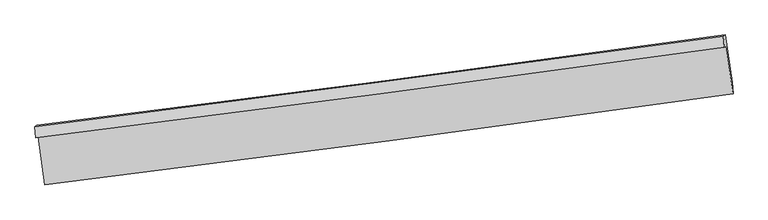
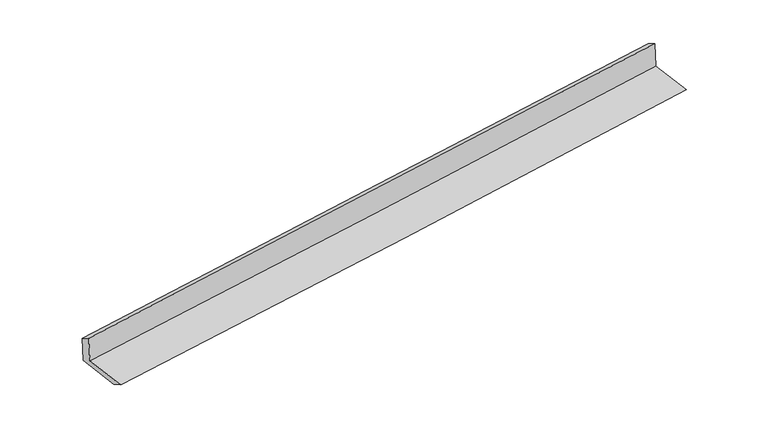
"""IFC4 building model written with IfcOpenShell, lengths in millimetres: proxy geometry."""

from ifc_helpers import new_model, si_unit, frame, origin, place, context, project, spatial, source, transform, mapped, element, save
from ifc_brep_helpers import plane_surface, spline_curve, spline_surface, advanced_brep


def generic_models_6fa985da(model_context):
    return source(origin(), model_context, "Body", "AdvancedBrep", [
        advanced_brep(
        [(-4774.402629, -2136.3092523, 1895.4018676), (-4745.9630403, -2119.7390465, 1506.7922648), (4700.3335163, -877.7350766, 2261.09442), (4672.2585367, -894.0928444, 2644.7218616), (-4788.700399, -1982.437598, 1810.250937), (4657.9607667, -740.2211901, 2559.570931), (-4760.640904, -1966.0888522, 1426.8350832), (4685.6556525, -724.0848823, 2181.1372384), (-4668.6809497, -2626.6872216, 1405.3972506), (4776.2375432, -1374.7838711, 2160.0206619), (-4653.7502572, -2782.1536222, 1485.2954924), (4791.1682357, -1530.2502717, 2239.9189037)],
        [
            (0, 1),
            (1, 2, spline_curve(3, [(-4745.9630403, -2119.7390465, 1506.7922648), (-3169.075419932, -1921.710483862, 1628.961508532), (-1592.929942359, -1719.125761612, 1752.946606569), (1555.833653017, -1305.112628446, 2004.38536557), (3128.453693912, -1093.696028022, 2131.834319144), (4700.3335163, -877.7350766, 2261.09442)], [4, 2, 4], [0.0, 15.688418234439224, 31.356490807005244])),
            (2, 3),
            (3, 0, spline_curve(3, [(4672.2585367, -894.0928444, 2644.7218616), (3099.467703633, -1110.584591995, 2527.91016348), (1526.36151726, -1322.28444322, 2407.104091777), (-1622.524718577, -1736.369032603, 2157.34114071), (-3198.305587248, -1938.741316787, 2028.37388158), (-4774.402629, -2136.3092523, 1895.4018676)], [4, 2, 4], [0.0, 15.66807257256602, 31.356490807005244])),
            (4, 0),
            (3, 5),
            (5, 4, spline_curve(3, [(4657.9607667, -740.2211901, 2559.570931), (3085.169933688, -956.712937876, 2442.759232829), (1512.063747325, -1168.412788869, 2321.953160997), (-1636.822488642, -1582.497378354, 2072.19021029), (-3212.603357061, -1784.86966261, 1943.222950604), (-4788.700399, -1982.437598, 1810.250937)], [4, 2, 4], [0.0, 15.668127430764462, 31.356600594637843])),
            (6, 4),
            (5, 7),
            (7, 6, spline_curve(3, [(4685.6556525, -724.0848823, 2181.1372384), (3113.775830112, -940.045833722, 2051.877137544), (1541.155789217, -1151.462434146, 1924.42818407), (-1607.607806159, -1565.475567312, 1672.989425069), (-3183.753283632, -1768.060289562, 1549.004326932), (-4760.640904, -1966.0888522, 1426.8350832)], [4, 2, 4], [0.0, 15.668072572566027, 31.356490807005258])),
            (8, 6),
            (7, 9),
            (9, 8, spline_curve(3, [(4776.2375432, -1374.7838711, 2160.0206619), (3205.046603755, -1595.693442134, 2030.599967766), (1632.885917211, -1810.40983608, 1903.043928441), (-1515.417726913, -2227.727047831, 1651.497945926), (-3091.563204855, -2430.31177028, 1527.51284755), (-4668.6809497, -2626.6872216, 1405.3972506)], [4, 2, 4], [0.0, 15.668053822402573, 31.356453282330463])),
            (10, 8),
            (9, 11),
            (11, 10, spline_curve(3, [(4791.1682357, -1530.2502717, 2239.9189037), (3219.977296198, -1751.159842476, 2110.498209569), (1647.816609643, -1965.876236572, 1982.942170247), (-1500.487034545, -2383.193448538, 1731.39618772), (-3076.63251235, -2585.778170925, 1607.411089367), (-4653.7502572, -2782.1536222, 1485.2954924)], [4, 2, 4], [0.0, 15.668049396087435, 31.356444423952425])),
            (1, 10),
            (11, 2),
        ],
        [
            spline_surface(3, 3, [[(-4774.402629, -2136.3092523, 1895.4018676), (-3198.305587127, -1938.741317006, 2028.373881456), (-1622.524718505, -1736.369032415, 2157.341140813), (1526.361517188, -1322.284443408, 2407.104091673), (3099.467703815, -1110.584592024, 2527.910163663), (4672.2585367, -894.0928444, 2644.7218616)], [(-4764.922766082, -2130.785850387, 1765.865333321), (-3188.562198097, -1933.064372722, 1895.236423877), (-1612.659793092, -1730.621275473, 2022.542962833), (1536.185562431, -1316.560505124, 2272.864516236), (3109.129700548, -1104.955070617, 2395.884882094), (4681.616863236, -888.640255145, 2516.846047723)], [(-4755.442903218, -2125.262448413, 1636.328799079), (-3178.818809121, -1927.387428376, 1762.098966336), (-1602.794867675, -1724.873518488, 1887.744784806), (1546.009607679, -1310.836566796, 2138.624940751), (3118.791697274, -1099.325549175, 2263.859600557), (4690.975189764, -883.187665855, 2388.970233877)], [(-4745.9630403, -2119.7390465, 1506.7922648), (-3169.075420091, -1921.710484092, 1628.961508757), (-1592.929942262, -1719.125761546, 1752.946606826), (1555.833652921, -1305.112628512, 2004.385365313), (3128.453694007, -1093.696027768, 2131.834318988), (4700.3335163, -877.7350766, 2261.09442)]], [4, 4], [4, 2, 4], [0.0, 1.328748891023299], [0.0, 15.688418234439224, 31.356490807005244]),
            spline_surface(3, 3, [[(-4788.700399, -1982.437598, 1810.250937), (-3212.603357127, -1784.869662706, 1943.222950856), (-1636.822488505, -1582.497378115, 2072.190210213), (1512.063747188, -1168.412789108, 2321.953161073), (3085.169933815, -956.712937724, 2442.759233063), (4657.9607667, -740.2211901, 2559.570931)], [(-4783.934475673, -2033.728149439, 1838.634580532), (-3207.837433801, -1836.160214145, 1971.606594388), (-1632.056565178, -1633.787929554, 2100.573853746), (1516.829670515, -1219.703340547, 2350.336804606), (3089.935857142, -1008.003489163, 2471.142876596), (4662.726690027, -791.511741539, 2587.954574532)], [(-4779.168552327, -2085.018700861, 1867.018224068), (-3203.071510454, -1887.450765567, 1999.990237923), (-1627.290641831, -1685.078480976, 2128.957497281), (1521.595593862, -1270.993891969, 2378.720448141), (3094.701780489, -1059.294040585, 2499.526520131), (4667.492613373, -842.802292961, 2616.338218068)], [(-4774.402629, -2136.3092523, 1895.4018676), (-3198.305587127, -1938.741317006, 2028.373881456), (-1622.524718505, -1736.369032415, 2157.341140813), (1526.361517188, -1322.284443408, 2407.104091673), (3099.467703815, -1110.584592024, 2527.910163663), (4672.2585367, -894.0928444, 2644.7218616)]], [4, 4], [4, 2, 4], [0.0, 0.5788762220393724], [0.0, 15.68847316387338, 31.356600594637843]),
            spline_surface(3, 3, [[(-4760.640904, -1966.0888522, 1426.8350832), (-3183.753283791, -1768.060289792, 1549.004327157), (-1607.607806062, -1565.475567246, 1672.989425326), (1541.155789121, -1151.462434212, 1924.428183813), (3113.775830207, -940.045833468, 2051.877137388), (4685.6556525, -724.0848823, 2181.1372384)], [(-4769.994068997, -1971.538434107, 1554.640367807), (-3193.3699749, -1773.66341407, 1680.410535064), (-1617.346033554, -1571.149504182, 1806.056353635), (1531.458441799, -1157.11255249, 2056.936509579), (3104.240531395, -945.601534869, 2182.171169285), (4676.424023885, -729.463651549, 2307.281802606)], [(-4779.347234003, -1976.988016093, 1682.445652393), (-3202.986666018, -1779.266538428, 1811.816742949), (-1627.084261013, -1576.823441179, 1939.123281905), (1521.76109451, -1162.76267083, 2189.444835307), (3094.705232627, -951.157236323, 2312.465201166), (4667.192395315, -734.842420851, 2433.426366794)], [(-4788.700399, -1982.437598, 1810.250937), (-3212.603357127, -1784.869662706, 1943.222950856), (-1636.822488505, -1582.497378115, 2072.190210213), (1512.063747188, -1168.412789108, 2321.953161073), (3085.169933815, -956.712937724, 2442.759233063), (4657.9607667, -740.2211901, 2559.570931)]], [4, 4], [4, 2, 4], [0.0, 1.3116480202674885], [0.0, 15.688418234439231, 31.356490807005258]),
            spline_surface(3, 3, [[(-4668.6809497, -2626.6872216, 1405.3972506), (-3091.563204755, -2430.311770337, 1527.512847559), (-1515.417726926, -2227.727047691, 1651.497945727), (1632.885917224, -1810.409836219, 1903.043928639), (3205.046603692, -1595.693442004, 2030.599967574), (4776.2375432, -1374.7838711, 2160.0206619)], [(-4699.334267806, -2406.48776516, 1412.543194795), (-3122.293231106, -2209.561276849, 1534.676674087), (-1546.147753277, -2006.976554203, 1658.661772256), (1602.309207884, -1590.76070221, 1910.172013692), (3174.623012532, -1377.144239167, 2037.692357504), (4746.043579635, -1157.884208175, 2167.059520725)], [(-4729.987585894, -2186.28830864, 1419.689139005), (-3153.02325744, -1988.81078328, 1541.840500629), (-1576.877779711, -1786.226060734, 1665.825598798), (1571.732498461, -1371.111568221, 1917.300098759), (3144.199421366, -1158.595036305, 2044.784747458), (4715.849616065, -940.984545225, 2174.098379575)], [(-4760.640904, -1966.0888522, 1426.8350832), (-3183.753283791, -1768.060289792, 1549.004327157), (-1607.607806062, -1565.475567246, 1672.989425326), (1541.155789121, -1151.462434212, 1924.428183813), (3113.775830207, -940.045833468, 2051.877137388), (4685.6556525, -724.0848823, 2181.1372384)]], [4, 4], [4, 2, 4], [0.0, 2.1893572214550794], [0.0, 15.68839945992789, 31.356453282330463]),
            spline_surface(3, 3, [[(-4653.7502572, -2782.1536222, 1485.2954924), (-3076.632512255, -2585.778170937, 1607.411089359), (-1500.487034526, -2383.193448291, 1731.396187527), (1647.816609624, -1965.876236819, 1982.942170439), (3219.977296192, -1751.159842604, 2110.498209374), (4791.1682357, -1530.2502717, 2239.9189037)], [(-4658.727154692, -2730.331488665, 1458.662745135), (-3081.609409747, -2533.956037401, 1580.778342093), (-1505.463932018, -2331.371314756, 1704.763440262), (1642.839712132, -1914.054103284, 1956.309423174), (3215.0003987, -1699.337709069, 2083.865462108), (4786.191338208, -1478.428138165, 2213.286156435)], [(-4663.704052208, -2678.509355135, 1432.029997865), (-3086.586307263, -2482.133903872, 1554.145594824), (-1510.440829434, -2279.549181226, 1678.130692993), (1637.862814716, -1862.231969755, 1929.676675904), (3210.023501184, -1647.515575539, 2057.232714839), (4781.214440692, -1426.606004635, 2186.653409165)], [(-4668.6809497, -2626.6872216, 1405.3972506), (-3091.563204755, -2430.311770337, 1527.512847559), (-1515.417726926, -2227.727047691, 1651.497945727), (1632.885917224, -1810.409836219, 1903.043928639), (3205.046603692, -1595.693442004, 2030.599967574), (4776.2375432, -1374.7838711, 2160.0206619)]], [4, 4], [4, 2, 4], [0.0, 0.5755649563326853], [0.0, 15.68839502786499, 31.356444423952425]),
            spline_surface(3, 3, [[(-4745.9630403, -2119.7390465, 1506.7922648), (-3169.075420091, -1921.710484092, 1628.961508757), (-1592.929942262, -1719.125761546, 1752.946606826), (1555.833652921, -1305.112628512, 2004.385365313), (3128.453694007, -1093.696027768, 2131.834318988), (4700.3335163, -877.7350766, 2261.09442)], [(-4715.22544595, -2340.543905043, 1499.626674009), (-3138.261117495, -2143.066379683, 1621.778035634), (-1562.115639667, -1940.481657137, 1745.763133702), (1586.494638506, -1525.367164624, 1997.237633664), (3158.961561411, -1312.850632708, 2124.722282462), (4730.611756109, -1095.240141628, 2254.035914579)], [(-4684.48785155, -2561.348763657, 1492.461083191), (-3107.446814851, -2364.422275346, 1614.594562482), (-1531.301337122, -2161.8375527, 1738.579660651), (1617.15562404, -1745.621700708, 1990.089902088), (3189.469428788, -1532.005237664, 2117.610245899), (4760.889995891, -1312.745206672, 2246.977409121)], [(-4653.7502572, -2782.1536222, 1485.2954924), (-3076.632512255, -2585.778170937, 1607.411089359), (-1500.487034526, -2383.193448291, 1731.396187527), (1647.816609624, -1965.876236819, 1982.942170439), (3219.977296192, -1751.159842604, 2110.498209374), (4791.1682357, -1530.2502717, 2239.9189037)]], [4, 4], [4, 2, 4], [0.0, 2.1953764689068778], [0.0, 15.688399459927888, 31.35645328233046]),
            plane_surface(frame((4713.9357085, -1023.5280227, 2341.0773361), z_axis=(0.9877711340634995, 0.13497204416386047, 0.07804315476156101), x_axis=(-0.13780636236834523, 0.9899380544279656, 0.03212561106311597))),
            plane_surface(frame((-4732.0230299, -2268.9025988, 1588.328816), z_axis=(-0.9877711340634888, -0.1349720441639631, -0.07804315476151924), x_axis=(-0.07292182939083346, -0.04248759453773373, 0.9964322411025706))),
        ],
        [
            (0, [[1, 2, 3, 4]]),
            (1, [[5, -4, 6, 7]]),
            (2, [[8, -7, 9, 10]]),
            (3, [[11, -10, 12, 13]]),
            (4, [[14, -13, 15, 16]]),
            (5, [[17, -16, 18, -2]]),
            (6, [[-12, -9, -6, -3, -18, -15]]),
            (7, [[-1, -5, -8, -11, -14, -17]]),
        ],
    ),
    ])


if __name__ == "__main__":
    model = new_model("IFC4")
    model_context = context("Model", 3, world=origin())
    ifc_project = project(units=[si_unit("LENGTHUNIT", "METRE", prefix="MILLI")], contexts=[model_context])
    site = spatial("IfcSite", under=ifc_project)
    building = spatial("IfcBuilding", under=site)
    placement = place(None, origin())
    generic_models_shape = generic_models_6fa985da(model_context)
    element("IfcBuildingElementProxy", 1, Name="Generic Models", at=placement, inside=building, context=model_context, shape_type="MappedRepresentation", body=[
        mapped(generic_models_shape, transform((0.0, 0.0, 0.0), x_axis=(1.0, 0.0, 0.0), y_axis=(0.0, 1.0, 0.0), z_axis=(0.0, 0.0, 1.0))),
    ])
    save(model, "model.ifc")
